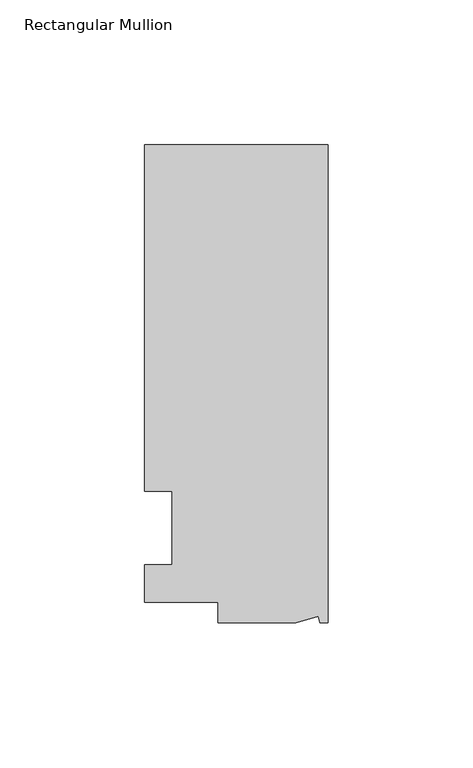
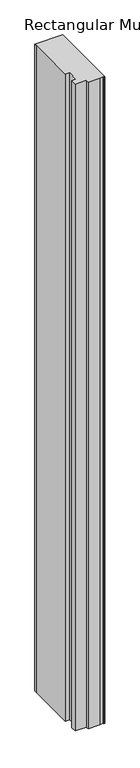
"""IFC4 building model written with IfcOpenShell, lengths in millimetres: member geometry, Rectangular Mullion."""

from ifc_helpers import new_model, si_unit, frame, origin, place, context, project, spatial, polyline, outline, extrude, source, transform, mapped, element, save


def rectangular_mullion_809b7a49(model_context):
    return source(origin(), model_context, "Body", "SweptSolid", [
        extrude(outline(polyline([(0.0, 132.5561012), (0.0, -32.5438988), (-2.7616541, -32.5438988), (-3.3341886, -30.4622958), (-11.121847, -32.5438988), (-38.1, -32.5438988), (-38.1, -25.5842988), (-63.5, -25.5842988), (-63.5, -12.5945801), (-53.975, -12.5945801), (-53.975, 12.8054199), (-63.5, 12.8054199), (-63.5, 126.2061012), (-63.5, 132.5561012), (0.0, 132.5561012)])), frame((0.0, 0.0, -1555.75), z_axis=(0.0, 0.0, 1.0), x_axis=(1.0, 0.0, 0.0)), (0.0, 0.0, 1.0), 1555.75),
    ])


if __name__ == "__main__":
    model = new_model("IFC4")
    model_context = context("Model", 3, world=origin())
    ifc_project = project(units=[si_unit("LENGTHUNIT", "METRE", prefix="MILLI")], contexts=[model_context])
    site = spatial("IfcSite", under=ifc_project)
    building = spatial("IfcBuilding", under=site)
    placement = place(None, origin())
    rectangular_mullion_shape = rectangular_mullion_809b7a49(model_context)
    element("IfcMember", 1, ObjectType="Rectangular Mullion", at=placement, inside=building, context=model_context, shape_type="MappedRepresentation", body=[
        mapped(rectangular_mullion_shape, transform((0.0, 0.0, 0.0), x_axis=(1.0, 0.0, 0.0), y_axis=(0.0, 1.0, 0.0), z_axis=(0.0, 0.0, 1.0))),
    ])
    save(model, "model.ifc")
